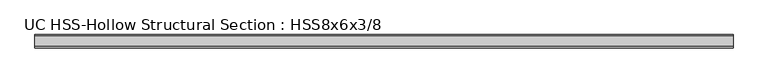
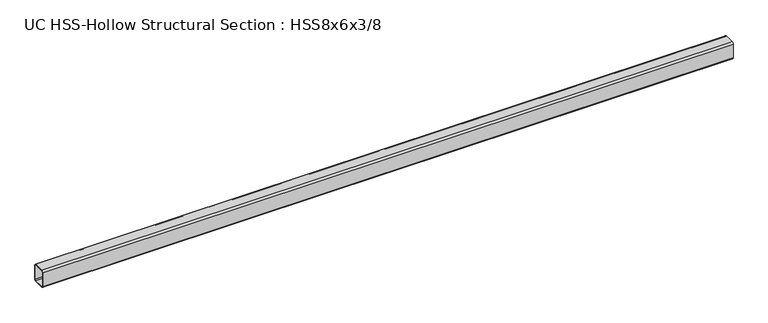
"""IFC4 building model written with IfcOpenShell, lengths in millimetres: beam geometry, UC HSS-Hollow Structural Section : HSS8x6x3/8."""

from ifc_helpers import new_model, si_unit, point, frame, frame_2d, origin, place, context, project, spatial, polyline, circle_curve, trimmed, segment, composite_curve, outline, extrude, source, transform, mapped, element, save


def uc_hss_hollow_structural_section_hss8x6x3_8_87ac9b69(model_context):
    return source(origin(), model_context, "Body", "SweptSolid", [
        extrude(outline(composite_curve([segment(trimmed(circle_curve(frame_2d((-58.4708, 83.8708)), 17.7292), [point((-76.2, 83.8708))], [point((-58.4708, 101.6))], False, "CARTESIAN"), True, "CONTINUOUS"), segment(polyline([(-58.4708, 101.6), (58.4708, 101.6)]), True, "CONTINUOUS"), segment(trimmed(circle_curve(frame_2d((58.4708, 83.8708)), 17.7292), [point((58.4708, 101.6))], [point((76.2, 83.8708))], False, "CARTESIAN"), True, "CONTINUOUS"), segment(polyline([(76.2, 83.8708), (76.2, -83.8708)]), True, "CONTINUOUS"), segment(trimmed(circle_curve(frame_2d((58.4708, -83.8708)), 17.7292), [point((76.2, -83.8708))], [point((58.4708, -101.6))], False, "CARTESIAN"), True, "CONTINUOUS"), segment(polyline([(58.4708, -101.6), (-58.4708, -101.6)]), True, "CONTINUOUS"), segment(trimmed(circle_curve(frame_2d((-58.4708, -83.8708)), 17.7292), [point((-58.4708, -101.6))], [point((-76.2, -83.8708))], False, "CARTESIAN"), True, "CONTINUOUS"), segment(polyline([(-76.2, -83.8708), (-76.2, 83.8708)]), True, "CONTINUOUS")], self_intersect=False), holes=[composite_curve([segment(polyline([(58.4708, 92.7354), (-58.4708, 92.7354)]), True, "CONTINUOUS"), segment(trimmed(circle_curve(frame_2d((-58.4708, 83.8708)), 8.8646), [point((-58.4708, 92.7354))], [point((-67.3354, 83.8708))], True, "CARTESIAN"), True, "CONTINUOUS"), segment(polyline([(-67.3354, 83.8708), (-67.3354, -83.8708)]), True, "CONTINUOUS"), segment(trimmed(circle_curve(frame_2d((-58.4708, -83.8708)), 8.8646), [point((-67.3354, -83.8708))], [point((-58.4708, -92.7354))], True, "CARTESIAN"), True, "CONTINUOUS"), segment(polyline([(-58.4708, -92.7354), (58.4708, -92.7354)]), True, "CONTINUOUS"), segment(trimmed(circle_curve(frame_2d((58.4708, -83.8708)), 8.8646), [point((58.4708, -92.7354))], [point((67.3354, -83.8708))], True, "CARTESIAN"), True, "CONTINUOUS"), segment(polyline([(67.3354, -83.8708), (67.3354, 83.8708)]), True, "CONTINUOUS"), segment(trimmed(circle_curve(frame_2d((58.4708, 83.8708)), 8.8646), [point((67.3354, 83.8708))], [point((58.4708, 92.7354))], True, "CARTESIAN"), True, "CONTINUOUS")], self_intersect=False)]), frame((-3949.6999994, 0.0, 0.0), z_axis=(1.0, 0.0, 0.0), x_axis=(0.0, 1.0, 0.0)), (0.0, 0.0, 1.0), 7899.3999988),
    ])


if __name__ == "__main__":
    model = new_model("IFC4")
    model_context = context("Model", 3, world=origin())
    ifc_project = project(units=[si_unit("LENGTHUNIT", "METRE", prefix="MILLI")], contexts=[model_context])
    site = spatial("IfcSite", under=ifc_project)
    building = spatial("IfcBuilding", under=site)
    placement = place(None, origin())
    uc_hss_hollow_structural_section_hss8x6x3_8_shape = uc_hss_hollow_structural_section_hss8x6x3_8_87ac9b69(model_context)
    element("IfcBeam", 1, ObjectType="UC HSS-Hollow Structural Section : HSS8x6x3/8", at=placement, inside=building, context=model_context, shape_type="MappedRepresentation", body=[
        mapped(uc_hss_hollow_structural_section_hss8x6x3_8_shape, transform((0.0, 0.0, 0.0), x_axis=(1.0, 0.0, 0.0), y_axis=(0.0, 1.0, 0.0), z_axis=(0.0, 0.0, 1.0))),
    ])
    save(model, "model.ifc")
